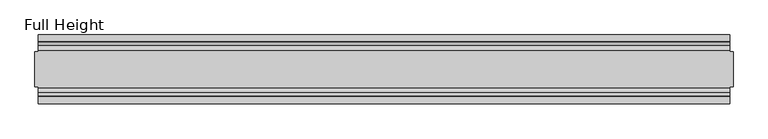
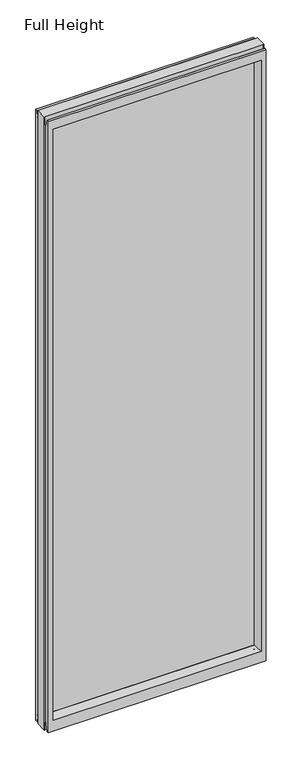
"""IFC4 building model written with IfcOpenShell, lengths in millimetres: plate geometry, Full Height."""

from ifc_helpers import new_model, si_unit, frame, origin, place, context, project, spatial, polyline, circle_curve, outline, extrude, source, transform, mapped, element, save
from ifc_brep_helpers import plane_surface, cylinder_surface, revolved_surface, advanced_brep


def full_height_1763ae20(model_context):
    return source(origin(), model_context, "Body", "SolidModel", [
        advanced_brep(
        [(508.0, 25.146, 2993.136), (503.428, 25.146, 2993.136), (503.428, 26.67, 2993.136), (-503.428, 26.67, 2993.136), (-503.428, 25.146, 2993.136), (-508.0, 25.146, 2993.136), (-508.0, -25.146, 2993.136), (-503.428, -25.146, 2993.136), (-503.428, -26.67, 2993.136), (503.428, -26.67, 2993.136), (503.428, -25.146, 2993.136), (508.0, -25.146, 2993.136), (508.0, 25.146, 0.0), (508.0, -25.146, 0.0), (503.428, -25.146, 0.0), (503.428, -26.67, 0.0), (-503.428, -26.67, 0.0), (-503.428, -25.146, 0.0), (-508.0, -25.146, 0.0), (-508.0, 25.146, 0.0), (-503.428, 25.146, 0.0), (-503.428, 26.67, 0.0), (503.428, 26.67, 0.0), (503.428, 25.146, 0.0), (-503.428, 40.7946686, 0.0), (-503.428, 50.0, 0.0), (503.428, 50.0, 0.0), (503.428, 40.7946686, 0.0), (-503.428, 26.67, 36.4542208), (503.428, 26.67, 36.4542208), (-503.428, -26.67, 36.4542208), (-503.428, -34.2686707, 36.8568054), (-503.428, -36.9464913, 11.6561909), (-503.428, -39.043018, 8.6755976), (-503.428, -39.5246686, 7.9074686), (-503.428, -39.5246686, 1.27), (-503.428, -40.7946686, 0.0), (-503.428, -50.0, 0.0), (-503.428, -50.0, 2983.992), (-503.428, -39.9371387, 2983.992), (-503.428, -39.1867152, 2983.3623199), (-503.428, -34.2321175, 2955.2634004), (-503.428, -26.67, 2955.925), (-503.428, 39.5246686, 1.27), (-503.428, 39.5246686, 7.9074686), (-503.428, 39.043018, 8.6755976), (-503.428, 36.9464913, 11.6561909), (-503.428, 34.2686707, 36.8568054), (-503.428, 26.67, 2955.925), (-503.428, 34.2321175, 2955.2634004), (-503.428, 39.1867152, 2983.3623199), (-503.428, 39.9371387, 2983.992), (-503.428, 50.0, 2983.992), (503.428, -50.0, 0.0), (503.428, -50.0, 2983.992), (-481.33, -50.0, 2939.415), (481.33, -50.0, 2939.415), (481.33, -50.0, 52.8372208), (-481.33, -50.0, 52.8372208), (503.428, 50.0, 2983.992), (-481.33, 50.0, 52.8372208), (481.33, 50.0, 52.8372208), (481.33, 50.0, 2939.415), (-481.33, 50.0, 2939.415), (-475.361, -6.1006519, 58.8062208), (-475.361, -6.1006519, 2933.446), (-475.361, 6.1006519, 2933.446), (-475.361, 6.1006519, 58.8062208), (475.361, 6.1006519, 58.8062208), (475.361, 6.1006519, 2933.446), (475.361, -6.1006519, 2933.446), (475.361, -6.1006519, 58.8062208), (503.428, -40.7946686, 0.0), (503.428, -39.5246686, 1.27), (503.428, -39.5246686, 7.9074686), (503.428, -39.043018, 8.6755976), (503.428, -36.9464913, 11.6561909), (503.428, -34.2686707, 36.8568054), (503.428, -26.67, 36.4542208), (503.428, -26.67, 2955.925), (503.428, -34.2321175, 2955.2634004), (503.428, -39.1867152, 2983.3623199), (503.428, -39.9371387, 2983.992), (503.428, 39.9371387, 2983.992), (503.428, 39.1867152, 2983.3623199), (503.428, 34.2321175, 2955.2634004), (503.428, 26.67, 2955.925), (503.428, 34.2686707, 36.8568054), (503.428, 36.9464913, 11.6561909), (503.428, 39.043018, 8.6755976), (503.428, 39.5246686, 7.9074686), (503.428, 39.5246686, 1.27)],
        [
            (0, 1),
            (1, 2),
            (2, 3),
            (3, 4),
            (4, 5),
            (5, 6),
            (6, 7),
            (7, 8),
            (8, 9),
            (9, 10),
            (10, 11),
            (11, 0),
            (12, 13),
            (13, 14),
            (14, 15),
            (15, 16),
            (16, 17),
            (17, 18),
            (18, 19),
            (19, 20),
            (20, 21),
            (21, 22),
            (22, 23),
            (23, 12),
            (23, 1),
            (0, 12),
            (10, 14),
            (13, 11),
            (5, 19),
            (18, 6),
            (17, 7),
            (4, 20),
            (24, 25),
            (25, 26),
            (26, 27),
            (27, 24),
            (21, 28),
            (28, 29),
            (29, 22),
            (16, 30),
            (30, 31, circle_curve(frame((-503.428, -30.48, 36.4542208), z_axis=(1.0, 0.0, 0.0), x_axis=(0.0, -1.0, 0.0)), 3.81)),
            (31, 32),
            (32, 33, circle_curve(frame((-503.428, -40.6770502, 12.0526006), z_axis=(-1.0, 0.0, 0.0), x_axis=(0.0, -1.0, 0.0)), 3.751561)),
            (33, 34, circle_curve(frame((-503.428, -38.671343, 7.9074686), z_axis=(1.0, 0.0, 0.0), x_axis=(0.0, -1.0, 0.0)), 0.8533256)),
            (34, 35),
            (35, 36, circle_curve(frame((-503.428, -40.7946686, 1.27), z_axis=(-1.0, 0.0, 0.0), x_axis=(0.0, -1.0, 0.0)), 1.27)),
            (36, 37),
            (37, 38),
            (38, 39),
            (39, 40, circle_curve(frame((-503.428, -39.9371387, 2983.23), z_axis=(-1.0, 0.0, 0.0), x_axis=(0.0, -1.0, 0.0)), 0.762)),
            (40, 41),
            (41, 42, circle_curve(frame((-503.428, -30.48, 2955.925), z_axis=(1.0, 0.0, 0.0), x_axis=(0.0, -1.0, 0.0)), 3.81)),
            (42, 8),
            (24, 43, circle_curve(frame((-503.428, 40.7946686, 1.27), z_axis=(-1.0, 0.0, 0.0), x_axis=(0.0, -1.0, 0.0)), 1.27)),
            (43, 44),
            (44, 45, circle_curve(frame((-503.428, 38.671343, 7.9074686), z_axis=(1.0, 0.0, 0.0), x_axis=(0.0, -1.0, 0.0)), 0.8533256)),
            (45, 46, circle_curve(frame((-503.428, 40.6770502, 12.0526006), z_axis=(-1.0, 0.0, 0.0), x_axis=(0.0, -1.0, 0.0)), 3.751561)),
            (46, 47),
            (47, 28, circle_curve(frame((-503.428, 30.48, 36.4542208), z_axis=(1.0, 0.0, 0.0), x_axis=(0.0, -1.0, 0.0)), 3.81)),
            (3, 48),
            (48, 49, circle_curve(frame((-503.428, 30.48, 2955.925), z_axis=(1.0, 0.0, 0.0), x_axis=(0.0, -1.0, 0.0)), 3.81)),
            (49, 50),
            (50, 51, circle_curve(frame((-503.428, 39.9371387, 2983.23), z_axis=(-1.0, 0.0, 0.0), x_axis=(0.0, -1.0, 0.0)), 0.762)),
            (51, 52),
            (52, 25),
            (37, 53),
            (53, 54),
            (54, 38),
            (55, 56),
            (56, 57),
            (57, 58),
            (58, 55),
            (52, 59),
            (59, 26),
            (60, 61),
            (61, 62),
            (62, 63),
            (63, 60),
            (58, 64),
            (64, 65),
            (65, 55),
            (63, 66),
            (66, 67),
            (67, 60),
            (61, 68),
            (68, 69),
            (69, 62),
            (70, 71),
            (71, 57),
            (56, 70),
            (53, 72),
            (72, 73, circle_curve(frame((503.428, -40.7946686, 1.27), z_axis=(1.0, 0.0, 0.0), x_axis=(0.0, -1.0, 0.0)), 1.27)),
            (73, 74),
            (74, 75, circle_curve(frame((503.428, -38.671343, 7.9074686), z_axis=(-1.0, 0.0, 0.0), x_axis=(0.0, -1.0, 0.0)), 0.8533256)),
            (75, 76, circle_curve(frame((503.428, -40.6770502, 12.0526006), z_axis=(1.0, 0.0, 0.0), x_axis=(0.0, -1.0, 0.0)), 3.751561)),
            (76, 77),
            (77, 78, circle_curve(frame((503.428, -30.48, 36.4542208), z_axis=(-1.0, 0.0, 0.0), x_axis=(0.0, -1.0, 0.0)), 3.81)),
            (78, 15),
            (9, 79),
            (79, 80, circle_curve(frame((503.428, -30.48, 2955.925), z_axis=(-1.0, 0.0, 0.0), x_axis=(0.0, -1.0, 0.0)), 3.81)),
            (80, 81),
            (81, 82, circle_curve(frame((503.428, -39.9371387, 2983.23), z_axis=(1.0, 0.0, 0.0), x_axis=(0.0, -1.0, 0.0)), 0.762)),
            (82, 54),
            (59, 83),
            (83, 84, circle_curve(frame((503.428, 39.9371387, 2983.23), z_axis=(1.0, 0.0, 0.0), x_axis=(0.0, -1.0, 0.0)), 0.762)),
            (84, 85),
            (85, 86, circle_curve(frame((503.428, 30.48, 2955.925), z_axis=(-1.0, 0.0, 0.0), x_axis=(0.0, -1.0, 0.0)), 3.81)),
            (86, 2),
            (29, 87, circle_curve(frame((503.428, 30.48, 36.4542208), z_axis=(-1.0, 0.0, 0.0), x_axis=(0.0, -1.0, 0.0)), 3.81)),
            (87, 88),
            (88, 89, circle_curve(frame((503.428, 40.6770502, 12.0526006), z_axis=(1.0, 0.0, 0.0), x_axis=(0.0, -1.0, 0.0)), 3.751561)),
            (89, 90, circle_curve(frame((503.428, 38.671343, 7.9074686), z_axis=(-1.0, 0.0, 0.0), x_axis=(0.0, -1.0, 0.0)), 0.8533256)),
            (90, 91),
            (91, 27, circle_curve(frame((503.428, 40.7946686, 1.27), z_axis=(1.0, 0.0, 0.0), x_axis=(0.0, -1.0, 0.0)), 1.27)),
            (91, 43),
            (90, 44),
            (89, 45),
            (88, 46),
            (87, 47),
            (78, 30),
            (31, 77),
            (76, 32),
            (75, 33),
            (74, 34),
            (73, 35),
            (72, 36),
            (71, 64),
            (67, 68),
            (86, 48),
            (85, 49),
            (84, 50),
            (83, 51),
            (69, 66),
            (65, 70),
            (82, 39),
            (81, 40),
            (80, 41),
            (79, 42),
            (65, 66),
            (69, 70),
            (71, 68),
            (67, 64),
        ],
        [
            plane_surface(frame((503.428, 25.146, 2993.136), z_axis=(0.0, 0.0, 1.0), x_axis=(-1.0, 0.0, 0.0))),
            plane_surface(frame((503.428, 25.146, 0.0), z_axis=(0.0, 0.0, -1.0), x_axis=(1.0, 0.0, 0.0))),
            plane_surface(frame((508.0, 25.146, 2993.136), z_axis=(0.0, 1.0, 0.0), x_axis=(0.0, 0.0, -1.0))),
            plane_surface(frame((503.428, -25.146, 2993.136), z_axis=(0.0, -1.0, 0.0), x_axis=(0.0, 0.0, -1.0))),
            plane_surface(frame((508.0, -25.146, 2993.136), z_axis=(1.0, 0.0, 0.0), x_axis=(0.0, 0.0, -1.0))),
            plane_surface(frame((-508.0, 25.146, 2993.136), z_axis=(-1.0, 0.0, 0.0), x_axis=(0.0, 0.0, -1.0))),
            plane_surface(frame((-508.0, -25.146, 2993.136), z_axis=(0.0, -1.0, 0.0), x_axis=(0.0, 0.0, -1.0))),
            plane_surface(frame((-503.428, 25.146, 2993.136), z_axis=(0.0, 1.0, 0.0), x_axis=(0.0, 0.0, -1.0))),
            plane_surface(frame((-503.428, 50.0, 0.0), z_axis=(0.0, 0.0, -1.0), x_axis=(1.0, 0.0, 0.0))),
            plane_surface(frame((-503.428, 26.67, 36.4542208), z_axis=(0.0, 1.0, 0.0), x_axis=(1.0, 0.0, 0.0))),
            plane_surface(frame((-503.428, 50.0, 2951.2006), z_axis=(-1.0, 0.0, 0.0), x_axis=(0.0, 0.0, -1.0))),
            plane_surface(frame((-503.428, -50.0, 2951.2006), z_axis=(0.0, -1.0, 0.0), x_axis=(0.0, 0.0, -1.0))),
            plane_surface(frame((-481.33, 50.0, 2951.2006), z_axis=(0.0, 1.0, 0.0), x_axis=(0.0, 0.0, -1.0))),
            plane_surface(frame((-481.33, -50.0, 2951.2006), z_axis=(0.9908822943533606, -0.13473039277393942, 0.0), x_axis=(0.0, 0.0, -1.0))),
            plane_surface(frame((-475.361, 6.1006519, 2951.2006), z_axis=(0.9908822943533612, 0.13473039277393595, 0.0), x_axis=(0.0, 0.0, -1.0))),
            plane_surface(frame((481.33, 50.0, 2951.2006), z_axis=(-0.9908822943533605, 0.1347303927739403, 0.0), x_axis=(0.0, 0.0, -1.0))),
            plane_surface(frame((475.361, -6.1006519, 2951.2006), z_axis=(-0.9908822943533563, -0.13473039277397156, 0.0), x_axis=(0.0, 0.0, -1.0))),
            plane_surface(frame((503.428, -50.0, 2951.2006), z_axis=(1.0, 0.0, 0.0), x_axis=(0.0, 0.0, -1.0))),
            cylinder_surface(frame((503.428, 40.7946686, 1.27), z_axis=(-1.0, 0.0, 0.0), x_axis=(0.0, -1.0, 0.0)), 1.27),
            plane_surface(frame((-503.428, 39.5246686, 1.27), z_axis=(0.0, -1.0, 0.0), x_axis=(1.0, 0.0, 0.0))),
            revolved_surface(polyline([(503.428, 37.8180174, 7.9074686), (-503.428, 37.8180174, 7.9074686)]), (503.428, 38.671343, 7.9074686), (1.0, 0.0, 0.0)),
            cylinder_surface(frame((503.428, 40.6770502, 12.0526006), z_axis=(-1.0, 0.0, 0.0), x_axis=(0.0, -1.0, 0.0)), 3.751561),
            plane_surface(frame((-503.428, 36.9464913, 11.6561909), z_axis=(0.0, -0.9944017560866673, -0.1056652615184024), x_axis=(1.0, 0.0, 0.0))),
            plane_surface(frame((-503.428, -26.67, 0.0), z_axis=(0.0, -1.0, 0.0), x_axis=(1.0, 0.0, 0.0))),
            plane_surface(frame((-503.428, -34.2686707, 36.8568054), z_axis=(0.0, 0.9944017560866222, -0.10566526151882638), x_axis=(1.0, 0.0, 0.0))),
            cylinder_surface(frame((503.428, -40.6770502, 12.0526006), z_axis=(-1.0, 0.0, 0.0), x_axis=(0.0, -1.0, 0.0)), 3.751561),
            revolved_surface(polyline([(503.428, -39.5246686, 7.9074686), (-503.428, -39.5246686, 7.9074686)]), (503.428, -38.671343, 7.9074686), (1.0, 0.0, 0.0)),
            plane_surface(frame((-503.428, -39.5246686, 7.9074686), z_axis=(0.0, 1.0, 0.0), x_axis=(1.0, 0.0, 0.0))),
            cylinder_surface(frame((503.428, -40.7946686, 1.27), z_axis=(-1.0, 0.0, 0.0), x_axis=(0.0, -1.0, 0.0)), 1.27),
            plane_surface(frame((-503.428, -40.7946686, 0.0), z_axis=(0.0, 0.0, -1.0), x_axis=(1.0, 0.0, 0.0))),
            plane_surface(frame((-503.428, -50.0, 52.8372208), z_axis=(0.0, -0.13473039277394736, 0.9908822943533596), x_axis=(1.0, 0.0, 0.0))),
            plane_surface(frame((-503.428, 6.1006519, 58.8062208), z_axis=(0.0, 0.13473039277399934, 0.9908822943533526), x_axis=(1.0, 0.0, 0.0))),
            revolved_surface(polyline([(503.428, 26.67, 36.4542208), (-503.428, 26.67, 36.4542208)]), (503.428, 30.48, 36.4542208), (1.0, 0.0, 0.0)),
            revolved_surface(polyline([(503.428, -34.29, 36.4542208), (-503.428, -34.29, 36.4542208)]), (503.428, -30.48, 36.4542208), (1.0, 0.0, 0.0)),
            plane_surface(frame((-503.428, 26.67, 2993.136), z_axis=(0.0, 1.0, 0.0), x_axis=(1.0, 0.0, 0.0))),
            revolved_surface(polyline([(503.428, 26.67, 2955.925), (-503.428, 26.67, 2955.925)]), (-508.0, 30.48, 2955.925), (1.0, 0.0, 0.0)),
            plane_surface(frame((-503.428, 34.2321175, 2955.2634004), z_axis=(0.0, -0.9848077530113105, 0.17364817767202048), x_axis=(1.0, 0.0, 0.0))),
            cylinder_surface(frame((-508.0, 39.9371387, 2983.23), z_axis=(-1.0, 0.0, 0.0), x_axis=(0.0, -1.0, 0.0)), 0.762),
            plane_surface(frame((-503.428, 39.9371387, 2983.992), z_axis=(0.0, 0.0, 1.0), x_axis=(1.0, 0.0, 0.0))),
            plane_surface(frame((-503.428, 50.0, 2939.415), z_axis=(0.0, 0.1347303927734498, -0.9908822943534272), x_axis=(1.0, 0.0, 0.0))),
            plane_surface(frame((-503.428, -6.1006519, 2933.446), z_axis=(0.0, -0.1347303927724766, -0.9908822943535597), x_axis=(1.0, 0.0, 0.0))),
            plane_surface(frame((-503.428, -50.0, 2983.992), z_axis=(0.0, 0.0, 1.0), x_axis=(1.0, 0.0, 0.0))),
            cylinder_surface(frame((-508.0, -39.9371387, 2983.23), z_axis=(-1.0, 0.0, 0.0), x_axis=(0.0, -1.0, 0.0)), 0.762),
            plane_surface(frame((-503.428, -39.1867152, 2983.3623199), z_axis=(0.0, 0.984807753010384, 0.1736481776772755), x_axis=(1.0, 0.0, 0.0))),
            revolved_surface(polyline([(503.428, -34.29, 2955.925), (-503.428, -34.29, 2955.925)]), (-508.0, -30.48, 2955.925), (1.0, 0.0, 0.0)),
            plane_surface(frame((-503.428, -26.67, 2955.925), z_axis=(0.0, -1.0, 0.0), x_axis=(1.0, 0.0, 0.0))),
            plane_surface(frame((-503.428, 6.1006519, 2933.446), z_axis=(0.0, 0.0, -1.0), x_axis=(1.0, 0.0, 0.0))),
            plane_surface(frame((-503.428, -6.1006519, 58.8062208), z_axis=(0.0, 0.0, 1.0), x_axis=(1.0, 0.0, 0.0))),
            plane_surface(frame((-475.361, -6.1006519, 2951.2006), z_axis=(1.0, 0.0, 0.0), x_axis=(0.0, 0.0, -1.0))),
            plane_surface(frame((475.361, 6.1006519, 2951.2006), z_axis=(-1.0, 0.0, 0.0), x_axis=(0.0, 0.0, -1.0))),
        ],
        [
            (0, [[1, 2, 3, 4, 5, 6, 7, 8, 9, 10, 11, 12]]),
            (1, [[13, 14, 15, 16, 17, 18, 19, 20, 21, 22, 23, 24]]),
            (2, [[25, -1, 26, -24]]),
            (3, [[-11, 27, -14, 28]]),
            (4, [[-12, -28, -13, -26]]),
            (5, [[-6, 29, -19, 30]]),
            (6, [[31, -7, -30, -18]]),
            (7, [[-5, 32, -20, -29]]),
            (8, [[33, 34, 35, 36]]),
            (9, [[37, 38, 39, -22]]),
            (10, [[-17, 40, 41, 42, 43, 44, 45, 46, 47, 48, 49, 50, 51, 52, 53, -8, -31]]),
            (10, [[-33, 54, 55, 56, 57, 58, 59, -37, -21, -32, -4, 60, 61, 62, 63, 64, 65]]),
            (11, [[-48, 66, 67, 68], [69, 70, 71, 72]]),
            (12, [[-65, 73, 74, -34], [75, 76, 77, 78]]),
            (13, [[-72, 79, 80, 81]]),
            (14, [[-78, 82, 83, 84]]),
            (15, [[-76, 85, 86, 87]]),
            (16, [[88, 89, -70, 90]]),
            (17, [[-67, 91, 92, 93, 94, 95, 96, 97, 98, -15, -27, -10, 99, 100, 101, 102, 103]]),
            (17, [[-74, 104, 105, 106, 107, 108, -2, -25, -23, -39, 109, 110, 111, 112, 113, 114, -35]]),
            (18, [[-54, -36, -114, 115]]),
            (19, [[-55, -115, -113, 116]]),
            (20, [[-56, -116, -112, 117]]),
            (21, [[-57, -117, -111, 118]]),
            (22, [[-58, -118, -110, 119]]),
            (23, [[-40, -16, -98, 120]]),
            (24, [[-42, 121, -96, 122]]),
            (25, [[-43, -122, -95, 123]]),
            (26, [[-44, -123, -94, 124]]),
            (27, [[-45, -124, -93, 125]]),
            (28, [[-46, -125, -92, 126]]),
            (29, [[-47, -126, -91, -66]]),
            (30, [[-71, -89, 127, -79]]),
            (31, [[-75, -84, 128, -85]]),
            (32, [[-59, -119, -109, -38]]),
            (33, [[-41, -120, -97, -121]]),
            (34, [[-60, -3, -108, 129]]),
            (35, [[-61, -129, -107, 130]]),
            (36, [[-62, -130, -106, 131]]),
            (37, [[-63, -131, -105, 132]]),
            (38, [[-64, -132, -104, -73]]),
            (39, [[-77, -87, 133, -82]]),
            (40, [[-69, -81, 134, -90]]),
            (41, [[-49, -68, -103, 135]]),
            (42, [[-50, -135, -102, 136]]),
            (43, [[-51, -136, -101, 137]]),
            (44, [[-52, -137, -100, 138]]),
            (45, [[-53, -138, -99, -9]]),
            (46, [[-134, 139, -133, 140]]),
            (47, [[-127, 141, -128, 142]]),
            (48, [[-83, -139, -80, -142]]),
            (49, [[-88, -140, -86, -141]]),
        ],
    ),
        extrude(outline(polyline([(-475.361, 4.826), (475.361, 4.826), (475.361, -4.826), (-475.361, -4.826), (-475.361, 4.826)])), frame((0.0, 0.0, 58.8062208), z_axis=(0.0, 0.0, 1.0), x_axis=(1.0, 0.0, 0.0)), (0.0, 0.0, 1.0), 2874.6397792),
    ])


if __name__ == "__main__":
    model = new_model("IFC4")
    model_context = context("Model", 3, world=origin())
    ifc_project = project(units=[si_unit("LENGTHUNIT", "METRE", prefix="MILLI")], contexts=[model_context])
    site = spatial("IfcSite", under=ifc_project)
    building = spatial("IfcBuilding", under=site)
    placement = place(None, origin())
    full_height_shape = full_height_1763ae20(model_context)
    element("IfcPlate", 1, ObjectType="Full Height", at=placement, inside=building, context=model_context, shape_type="MappedRepresentation", body=[
        mapped(full_height_shape, transform((0.0, 0.0, 0.0), x_axis=(1.0, 0.0, 0.0), y_axis=(0.0, 1.0, 0.0), z_axis=(0.0, 0.0, 1.0))),
    ])
    save(model, "model.ifc")
